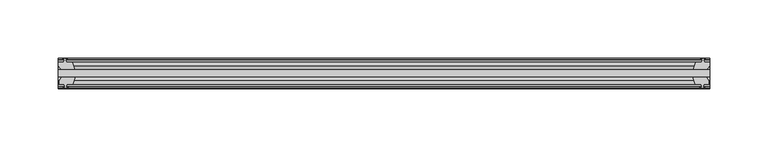
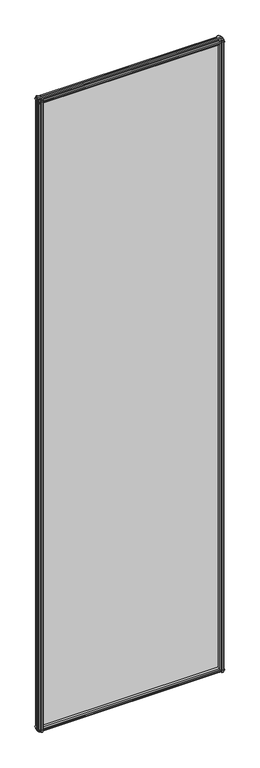
"""IFC4 building model written with IfcOpenShell, lengths in millimetres: plate geometry."""

from ifc_helpers import new_model, si_unit, frame, origin, place, context, project, spatial, polyline, outline, extrude, source, transform, mapped, element, save


def plate_241e44e3(model_context):
    return source(origin(), model_context, "Body", "SweptSolid", [
        extrude(outline(polyline([(-258.2664062, -19.5460937), (301.625, -19.5460937), (301.625, -25.8960937), (-258.2664062, -25.8960937), (-258.2664062, -19.5460937)])), frame((0.0, 0.0, -12.7), z_axis=(0.0, 0.0, 1.0), x_axis=(1.0, 0.0, 0.0)), (0.0, 0.0, 1.0), 2019.3),
        extrude(outline(polyline([(298.6503038, -25.8960937), (300.863, -29.2996938), (300.863, -32.2460938), (296.418, -32.2460938), (296.037, -34.6262907), (297.4525291, -34.1663575), (297.4525291, -34.9675717), (295.275, -35.6750938), (293.0974709, -34.9675717), (293.0974709, -34.1663575), (294.513, -34.6262907), (294.132, -32.2460938), (288.925, -32.2460938), (286.8197229, -25.8960937), (298.6503038, -25.8960937)])), frame((0.0, 0.0, -12.7), z_axis=(0.0, 0.0, 1.0), x_axis=(1.0, 0.0, 0.0)), (0.0, 0.0, 1.0), 2019.3),
        extrude(outline(polyline([(293.6181709, -10.4746158), (295.7957, -9.7670938), (297.973229, -10.4746158), (297.973229, -11.27583), (296.5577, -10.8158968), (296.9387, -13.1960938), (301.3837, -13.1960938), (301.3837, -16.1424938), (299.1710038, -19.5460937), (287.3404229, -19.5460937), (289.4457, -13.1960938), (294.6527, -13.1960938), (295.0337, -10.8158968), (293.6181709, -11.27583), (293.6181709, -10.4746158)])), frame((0.0, 0.0, -12.7), z_axis=(0.0, 0.0, 1.0), x_axis=(1.0, 0.0, 0.0)), (0.0, 0.0, 1.0), 2019.3),
        extrude(outline(polyline([(-243.4611292, -25.8960937), (-245.5664062, -32.2460937), (-250.7734062, -32.2460937), (-251.1544062, -34.6262907), (-249.7388772, -34.1663575), (-249.7388772, -34.9675717), (-251.9164062, -35.6750937), (-254.0939353, -34.9675717), (-254.0939353, -34.1663575), (-252.6784062, -34.6262907), (-253.0594062, -32.2460937), (-257.5044062, -32.2460937), (-257.5044062, -29.2996937), (-255.29171, -25.8960937), (-243.4611292, -25.8960937)])), frame((0.0, 0.0, -12.7), z_axis=(0.0, 0.0, 1.0), x_axis=(1.0, 0.0, 0.0)), (0.0, 0.0, 1.0), 2019.3),
        extrude(outline(polyline([(-253.1991062, -10.8158968), (-254.6146353, -11.27583), (-254.6146353, -10.4746158), (-252.4371062, -9.7670937), (-250.2595772, -10.4746158), (-250.2595772, -11.27583), (-251.6751062, -10.8158968), (-251.2941062, -13.1960937), (-246.0871062, -13.1960937), (-243.9818292, -19.5460937), (-255.81241, -19.5460937), (-258.0251062, -16.1424937), (-258.0251062, -13.1960937), (-253.5801062, -13.1960937), (-253.1991062, -10.8158968)])), frame((0.0, 0.0, -12.7), z_axis=(0.0, 0.0, 1.0), x_axis=(1.0, 0.0, 0.0)), (0.0, 0.0, 1.0), 2019.3),
        extrude(outline(polyline([(-13.1960937, 2006.3587), (-13.1960937, 2001.9137), (-10.8158968, 2001.5327), (-11.27583, 2002.9482291), (-10.4746158, 2002.9482291), (-9.7670937, 2000.7707), (-10.4746158, 1998.5931709), (-11.27583, 1998.5931709), (-10.8158968, 2000.0087), (-13.1960937, 1999.6277), (-13.1960937, 1994.4207), (-19.5460937, 1992.3154229), (-19.5460937, 2004.1460038), (-16.1424937, 2006.3587), (-13.1960937, 2006.3587)])), frame((-258.2664062, 0.0, 0.0), z_axis=(1.0, 0.0, 0.0), x_axis=(0.0, 1.0, 0.0)), (0.0, 0.0, 1.0), 559.8914062),
        extrude(outline(polyline([(-29.2996937, 2005.838), (-25.8960937, 2003.6253038), (-25.8960937, 1991.7947229), (-32.2460937, 1993.9), (-32.2460937, 1999.107), (-34.6262907, 1999.488), (-34.1663575, 1998.072471), (-34.9675717, 1998.072471), (-35.6750937, 2000.25), (-34.9675717, 2002.4275291), (-34.1663575, 2002.4275291), (-34.6262907, 2001.012), (-32.2460937, 2001.393), (-32.2460937, 2005.838), (-29.2996937, 2005.838)])), frame((-258.2664062, 0.0, 0.0), z_axis=(1.0, 0.0, 0.0), x_axis=(0.0, 1.0, 0.0)), (0.0, 0.0, 1.0), 559.8914062),
        extrude(outline(polyline([(-25.8960937, 2.1052771), (-25.8960937, -9.7253038), (-29.2996937, -11.938), (-32.2460937, -11.938), (-32.2460937, -7.493), (-34.6262907, -7.112), (-34.1663575, -8.5275291), (-34.9675717, -8.5275291), (-35.6750937, -6.35), (-34.9675717, -4.1724709), (-34.1663575, -4.1724709), (-34.6262907, -5.588), (-32.2460937, -5.207), (-32.2460937, 0.0), (-25.8960937, 2.1052771)])), frame((-258.2664062, 0.0, 0.0), z_axis=(1.0, 0.0, 0.0), x_axis=(0.0, 1.0, 0.0)), (0.0, 0.0, 1.0), 559.8914062),
        extrude(outline(polyline([(-19.5460937, 1.5845771), (-13.1960937, -0.5207), (-13.1960937, -5.7277), (-10.8158968, -6.1087), (-11.27583, -4.6931709), (-10.4746158, -4.6931709), (-9.7670937, -6.8707), (-10.4746158, -9.048229), (-11.27583, -9.048229), (-10.8158968, -7.6327), (-13.1960937, -8.0137), (-13.1960937, -12.4587), (-16.1424937, -12.4587), (-19.5460937, -10.2460038), (-19.5460937, 1.5845771)])), frame((-258.2664062, 0.0, 0.0), z_axis=(1.0, 0.0, 0.0), x_axis=(0.0, 1.0, 0.0)), (0.0, 0.0, 1.0), 559.8914062),
    ])


if __name__ == "__main__":
    model = new_model("IFC4")
    model_context = context("Model", 3, world=origin())
    ifc_project = project(units=[si_unit("LENGTHUNIT", "METRE", prefix="MILLI")], contexts=[model_context])
    site = spatial("IfcSite", under=ifc_project)
    building = spatial("IfcBuilding", under=site)
    placement = place(None, origin())
    plate_shape = plate_241e44e3(model_context)
    element("IfcPlate", 1, at=placement, inside=building, context=model_context, shape_type="MappedRepresentation", body=[
        mapped(plate_shape, transform((0.0, 0.0, 0.0), x_axis=(1.0, 0.0, 0.0), y_axis=(0.0, 1.0, 0.0), z_axis=(0.0, 0.0, 1.0))),
    ])
    save(model, "model.ifc")
